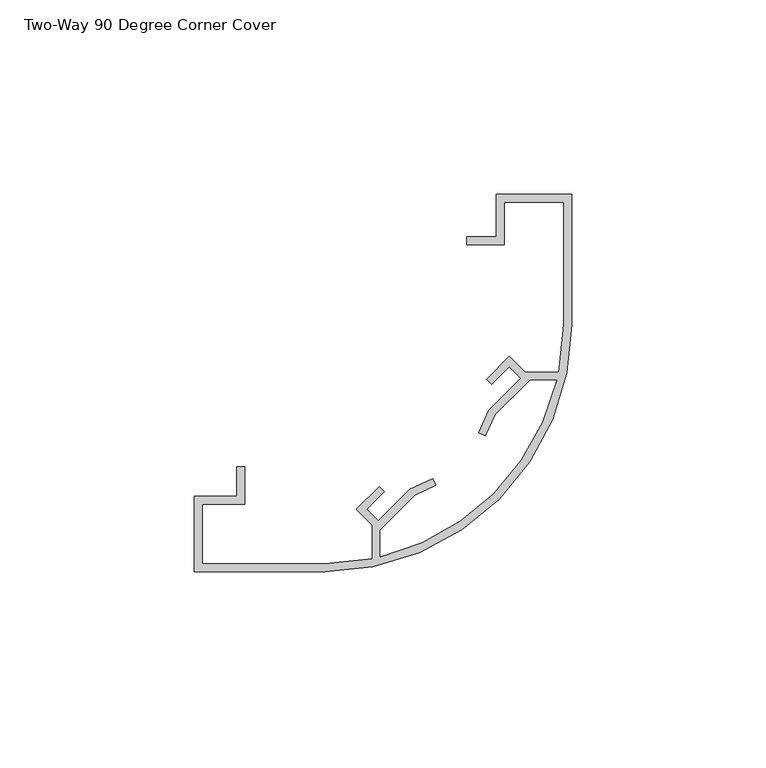
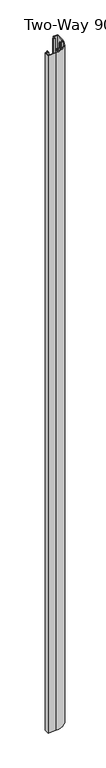
"""IFC4 building model written with IfcOpenShell, lengths in millimetres: proxy geometry, Two-Way 90 Degree Corner Cover."""

from ifc_helpers import new_model, si_unit, point, frame_2d, origin, origin_with_axes, place, context, project, spatial, polyline, circle_curve, trimmed, segment, composite_curve, outline, extrude, source, transform, mapped, element, save


def two_way_90_degree_corner_cover_b744859d(model_context):
    return source(origin(), model_context, "Body", "SweptSolid", [
        extrude(outline(composite_curve([segment(polyline([(61.5619621, 76.3749107), (61.5619621, 42.8723079)]), True, "CONTINUOUS"), segment(trimmed(circle_curve(frame_2d((-1.9380398, 42.8723079)), 63.5000019), [point((61.5619621, 42.8723079))], [point((-1.9380398, -20.6276939))], False, "CARTESIAN"), True, "CONTINUOUS"), segment(polyline([(-1.9380398, -20.6276939), (-35.440637, -20.6276939), (-35.440637, -1.3236936), (-24.4868906, -1.3236936), (-24.4868906, 6.2963054), (-22.4548925, 6.2963054), (-22.4548925, -3.355694), (-33.4086389, -3.355694), (-33.4086389, -18.5956936), (-1.9380398, -18.5956936), (10.2793649, -17.4007301), (10.2793649, -8.6786172), (6.2259737, -4.6252245), (12.0857464, 1.1893368), (13.41122, -0.1361406), (8.9210881, -4.626268), (11.8633264, -7.5684994), (20.0075956, 0.5332669), (25.8095407, 3.2657137), (26.6152394, 1.5378799), (21.2255081, -0.975396), (12.184363, -9.9836384), (12.184363, -16.9684379), (23.2163341, -13.2130984), (32.9468812, -7.7375493), (41.5264015, -0.5921323), (48.6718184, 7.9873881), (54.1473676, 17.7179329), (57.9342149, 28.7499062), (50.9183133, 28.7499062), (41.98556, 19.8171529), (39.3949967, 14.3196798), (37.669872, 15.1241153), (40.3251077, 20.8182841), (48.5234701, 29.0502408), (45.5605373, 32.0131818), (41.0704093, 27.5230486), (39.7223245, 28.8711296), (45.5821016, 34.6856884), (49.6128856, 30.6549044), (58.3349994, 30.6549044), (59.5299629, 42.8723091), (59.5299629, 74.3429036), (44.2899638, 74.3429036), (44.2899638, 63.3891572), (34.6379616, 63.3891572), (34.6379616, 65.4211553), (42.2579634, 65.4211553), (42.2579634, 76.3749107), (61.5619621, 76.3749107)]), True, "CONTINUOUS")], self_intersect=False)), origin_with_axes(), (0.0, 0.0, 1.0), 3048.0),
    ])


if __name__ == "__main__":
    model = new_model("IFC4")
    model_context = context("Model", 3, world=origin())
    ifc_project = project(units=[si_unit("LENGTHUNIT", "METRE", prefix="MILLI")], contexts=[model_context])
    site = spatial("IfcSite", under=ifc_project)
    building = spatial("IfcBuilding", under=site)
    placement = place(None, origin())
    two_way_90_degree_corner_cover_shape = two_way_90_degree_corner_cover_b744859d(model_context)
    element("IfcBuildingElementProxy", 1, Name="Two-Way 90 Degree Corner Cover", ObjectType="Two-Way 90 Degree Corner Cover", at=placement, inside=building, context=model_context, shape_type="MappedRepresentation", body=[
        mapped(two_way_90_degree_corner_cover_shape, transform((0.0, 0.0, 0.0), x_axis=(1.0, 0.0, 0.0), y_axis=(0.0, 1.0, 0.0), z_axis=(0.0, 0.0, 1.0))),
    ])
    save(model, "model.ifc")
